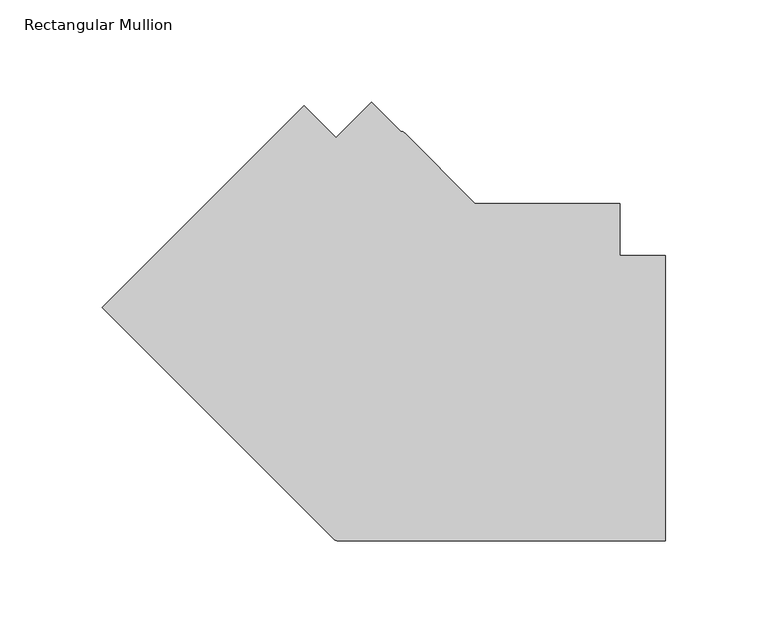
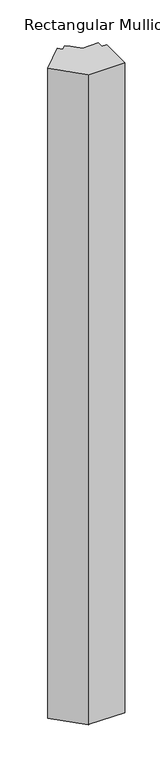
"""IFC4 building model written with IfcOpenShell, lengths in millimetres: member geometry, Rectangular Mullion."""

import ifcopenshell
import ifcopenshell.guid

model = None  # the IFC model being written
_history = None  # IfcOwnerHistory: only IFC2X3 demands one
_inside = {}  # id of a spatial element -> (the spatial element, [elements in it])
_under = {}  # id of a project, library or spatial element -> (it, [spatial elements below it])
_declared = {}  # id of a project -> (the project, [libraries it declares])
_typed = {}  # id of a type object -> (the type object, [elements of that type])
_made_of = {}  # id of a material, layer set ... -> (it, [elements and type objects made of it])


def new_model(schema):
    """Start an empty IFC model of exactly this schema.

    Asked for "IFC4X3", IfcOpenShell would pick the latest addendum, in which some entities
    have other attributes; the version numbers below select the first issue.
    IFC2X3 requires an IfcOwnerHistory on every rooted entity: one is made here for all.
    """
    global model, _history
    if schema == "IFC4X3":
        model = ifcopenshell.file(schema_version=(4, 3, 0, 0))
    else:
        model = ifcopenshell.file(schema=schema)
    _inside.clear()
    _under.clear()
    _declared.clear()
    _typed.clear()
    _made_of.clear()
    _history = None
    if model.schema == "IFC2X3":
        org = make("IfcOrganization", Name="unknown")
        user = make(
            "IfcPersonAndOrganization",
            ThePerson=make("IfcPerson", FamilyName="unknown"),
            TheOrganization=org,
        )
        app = make(
            "IfcApplication",
            ApplicationDeveloper=org,
            Version="unknown",
            ApplicationFullName="unknown",
            ApplicationIdentifier="unknown",
        )
        _history = make(
            "IfcOwnerHistory",
            OwningUser=user,
            OwningApplication=app,
            ChangeAction="ADDED",
            CreationDate=0,
        )
    return model


def make(cls, **values):
    """One entity of the class cls with the attributes given. An attribute that is None is left unset."""
    return model.create_entity(
        cls, **{name: value for name, value in values.items() if value is not None}
    )


def rooted(cls, **values):
    """An entity with a GlobalId (a new one), such as an element, a storey or a relation."""
    return make(cls, GlobalId=ifcopenshell.guid.new(), OwnerHistory=_history, **values)


def si_unit(unit_type, name, prefix=None):
    """IfcSIUnit, for example si_unit("LENGTHUNIT", "METRE", prefix="MILLI")."""
    return make("IfcSIUnit", UnitType=unit_type, Prefix=prefix, Name=name)


def assignment(units):
    """IfcUnitAssignment: the units of a project."""
    return None if units is None else make("IfcUnitAssignment", Units=units)


def point(xyz):
    """IfcCartesianPoint."""
    return None if xyz is None else make("IfcCartesianPoint", Coordinates=xyz)


def direction(xyz):
    """IfcDirection."""
    return None if xyz is None else make("IfcDirection", DirectionRatios=xyz)


def frame(location, z_axis=None, x_axis=None):
    """IfcAxis2Placement3D, a coordinate frame: its origin and axes. An axis left out is left unset."""
    return make(
        "IfcAxis2Placement3D",
        Location=point(location),
        Axis=direction(z_axis),
        RefDirection=direction(x_axis),
    )


def frame_2d(location, x_axis=None):
    """IfcAxis2Placement2D, a coordinate frame in the plane: its origin and x axis."""
    return make(
        "IfcAxis2Placement2D", Location=point(location), RefDirection=direction(x_axis)
    )


def origin():
    """The frame at (0, 0, 0) with its axes left unset."""
    return frame((0.0, 0.0, 0.0))


def place(relative_to, where):
    """IfcLocalPlacement: puts the frame where relative to a parent placement (None: the world)."""
    return make(
        "IfcLocalPlacement", PlacementRelTo=relative_to, RelativePlacement=where
    )


def context(
    kind, dimensions, precision=None, world=None, true_north=None, identifier=None
):
    """IfcGeometricRepresentationContext, for example the 3D "Model" context."""
    return make(
        "IfcGeometricRepresentationContext",
        ContextIdentifier=identifier,
        ContextType=kind,
        CoordinateSpaceDimension=dimensions,
        Precision=precision,
        WorldCoordinateSystem=world,
        TrueNorth=true_north,
    )


def project(units=None, contexts=None):
    """IfcProject with its units and contexts."""
    return rooted(
        "IfcProject",
        Name="project",
        RepresentationContexts=contexts,
        UnitsInContext=assignment(units),
    )


def spatial(cls, under=None, at=None, **own):
    """A site, building, storey or space (cls), placed at a placement, below another one or the project."""
    s = rooted(cls, ObjectPlacement=at, **own)
    if under is not None:
        _under.setdefault(under.id(), (under, []))[1].append(s)
    return s


def polyline(points):
    """IfcPolyline through the points."""
    return make("IfcPolyline", Points=[point(p) for p in points])


def circle_curve(where, radius):
    """IfcCircle in the frame where."""
    return make("IfcCircle", Position=where, Radius=radius)


def trimmed(basis, trim1, trim2, sense, master):
    """IfcTrimmedCurve: the piece of a basis curve between two trims."""
    return make(
        "IfcTrimmedCurve",
        BasisCurve=basis,
        Trim1=trim1,
        Trim2=trim2,
        SenseAgreement=sense,
        MasterRepresentation=master,
    )


def segment(curve, same_sense, transition):
    """IfcCompositeCurveSegment."""
    return make(
        "IfcCompositeCurveSegment",
        Transition=transition,
        SameSense=same_sense,
        ParentCurve=curve,
    )


def composite_curve(segments, self_intersect=None):
    """IfcCompositeCurve: segments joined end to end."""
    return make("IfcCompositeCurve", Segments=segments, SelfIntersect=self_intersect)


def outline(outer, holes=None, kind="AREA"):
    """IfcArbitraryClosedProfileDef: a profile drawn as a closed curve; with holes, ...WithVoids."""
    if holes is None:
        return make("IfcArbitraryClosedProfileDef", ProfileType=kind, OuterCurve=outer)
    return make(
        "IfcArbitraryProfileDefWithVoids",
        ProfileType=kind,
        OuterCurve=outer,
        InnerCurves=holes,
    )


def extrude(swept, where, along, depth):
    """IfcExtrudedAreaSolid: the profile swept, set in the frame where, extruded along a direction by depth."""
    return make(
        "IfcExtrudedAreaSolid",
        SweptArea=swept,
        Position=where,
        ExtrudedDirection=direction(along),
        Depth=depth,
    )


def shape(context_of_items, identifier, shape_type, items):
    """IfcShapeRepresentation: the items that make up one representation, for example the "Body"."""
    return make(
        "IfcShapeRepresentation",
        ContextOfItems=context_of_items,
        RepresentationIdentifier=identifier,
        RepresentationType=shape_type,
        Items=items,
    )


def source(mapping_origin, context_of_items, identifier, shape_type, items):
    """IfcRepresentationMap: a shape defined once, which mapped items show again and again."""
    return make(
        "IfcRepresentationMap",
        MappingOrigin=mapping_origin,
        MappedRepresentation=shape(context_of_items, identifier, shape_type, items),
    )


def transform(
    local_origin,
    x_axis=None,
    y_axis=None,
    z_axis=None,
    scale=None,
    scale2=None,
    scale3=None,
    uniform=True,
):
    """IfcCartesianTransformationOperator3D, or its non-uniform kind. x_axis, y_axis, z_axis: its Axis1, 2, 3."""
    if uniform:
        return make(
            "IfcCartesianTransformationOperator3D",
            Axis1=direction(x_axis),
            Axis2=direction(y_axis),
            LocalOrigin=point(local_origin),
            Scale=scale,
            Axis3=direction(z_axis),
        )
    return make(
        "IfcCartesianTransformationOperator3DnonUniform",
        Axis1=direction(x_axis),
        Axis2=direction(y_axis),
        LocalOrigin=point(local_origin),
        Scale=scale,
        Axis3=direction(z_axis),
        Scale2=scale2,
        Scale3=scale3,
    )


def mapped(mapping_source, mapping_target):
    """IfcMappedItem: shows the shape of a source again, moved by a transform."""
    return make(
        "IfcMappedItem", MappingSource=mapping_source, MappingTarget=mapping_target
    )


def made_of(thing, what):
    """Note that an element or type object is made of a material, layer set ...; save() writes the relation."""
    if what is not None:
        _made_of.setdefault(what.id(), (what, []))[1].append(thing)
    return thing


def element(
    cls,
    number,
    at=None,
    inside=None,
    cuts=None,
    type_object=None,
    material=None,
    context=None,
    identifier="Body",
    shape_type=None,
    held_by="IfcProductDefinitionShape",
    body=None,
    shapes=None,
    **own,
):
    """One element of the class cls, such as IfcWall. Its Tag is "e" and its number.

    at: its placement. inside: the storey or other place that contains it. cuts: it is an
    opening in that element (IfcRelVoidsElement). A single representation is given by context,
    identifier, shape_type and body (its items); several are given by shapes. held_by: the class
    of the entity that holds the representations. save() writes the other relations.
    """
    e = rooted(cls, Tag="e%d" % number, ObjectPlacement=at, **own)
    if body is not None:
        shapes = [shape(context, identifier, shape_type, body)]
    if shapes is not None:
        e.Representation = make(held_by, Representations=shapes)
    if inside is not None:
        _inside.setdefault(inside.id(), (inside, []))[1].append(e)
    if cuts is not None:
        rooted(
            "IfcRelVoidsElement", RelatingBuildingElement=cuts, RelatedOpeningElement=e
        )
    if type_object is not None:
        _typed.setdefault(type_object.id(), (type_object, []))[1].append(e)
    return made_of(e, material)


def aggregate(whole, parts):
    """IfcRelAggregates: a whole, such as a stair, and the parts it consists of."""
    return rooted("IfcRelAggregates", RelatingObject=whole, RelatedObjects=parts)


def save(model, path):
    """Write the relations noted so far, then the file.

    IfcRelAggregates (storeys below a building ...), IfcRelContainedInSpatialStructure (elements
    in a storey), IfcRelDefinesByType, IfcRelAssociatesMaterial and IfcRelDeclares: one each for
    every whole, place, type object, material and project.
    """
    for whole, parts in _under.values():
        aggregate(whole, parts)
    for where, things in _inside.values():
        rooted(
            "IfcRelContainedInSpatialStructure",
            RelatedElements=things,
            RelatingStructure=where,
        )
    for kind, things in _typed.values():
        rooted("IfcRelDefinesByType", RelatedObjects=things, RelatingType=kind)
    for what, things in _made_of.values():
        rooted("IfcRelAssociatesMaterial", RelatedObjects=things, RelatingMaterial=what)
    for by, libraries in _declared.values():
        rooted("IfcRelDeclares", RelatingContext=by, RelatedDefinitions=libraries)
    model.write(path)


def rectangular_mullion_66f8c917(model_context):
    return source(origin(), model_context, "Body", "SweptSolid", [
        extrude(outline(composite_curve([segment(trimmed(circle_curve(frame_2d((-160.1425556, -75.2947442)), 3.175), [point((-160.1425556, -78.4697442))], [point((-162.3876196, -77.5398082))], False, "CARTESIAN"), True, "CONTINUOUS"), segment(polyline([(-162.3876196, -77.5398082), (-275.6255066, 35.6980788), (-176.8426853, 134.4809001), (-161.1273172, 118.7655319), (-143.6971255, 136.1957235), (-129.5693263, 121.9378293)]), True, "CONTINUOUS"), segment(trimmed(circle_curve(frame_2d((-129.6962646, 118.7653679)), 3.175), [point((-129.5693263, 121.9378293))], [point((-127.4512006, 121.0104319))], False, "CARTESIAN"), True, "CONTINUOUS"), segment(polyline([(-127.4512006, 121.0104319), (-93.0710245, 86.6302559), (-22.2248868, 86.6302559), (-22.2248868, 61.2302614), (0.0, 61.2302614), (0.0, -78.4697442), (-160.1425556, -78.4697442)]), True, "CONTINUOUS")], self_intersect=False)), frame((0.0, 0.0, -3048.0), z_axis=(0.0, 0.0, 1.0), x_axis=(1.0, 0.0, 0.0)), (0.0, 0.0, 1.0), 3048.0),
    ])


if __name__ == "__main__":
    model = new_model("IFC4")
    model_context = context("Model", 3, world=origin())
    ifc_project = project(units=[si_unit("LENGTHUNIT", "METRE", prefix="MILLI")], contexts=[model_context])
    site = spatial("IfcSite", under=ifc_project)
    building = spatial("IfcBuilding", under=site)
    placement = place(None, origin())
    rectangular_mullion_shape = rectangular_mullion_66f8c917(model_context)
    element("IfcMember", 1, ObjectType="Rectangular Mullion", at=placement, inside=building, context=model_context, shape_type="MappedRepresentation", body=[
        mapped(rectangular_mullion_shape, transform((0.0, 0.0, 0.0), x_axis=(1.0, 0.0, 0.0), y_axis=(0.0, 1.0, 0.0), z_axis=(0.0, 0.0, 1.0))),
    ])
    save(model, "model.ifc")
